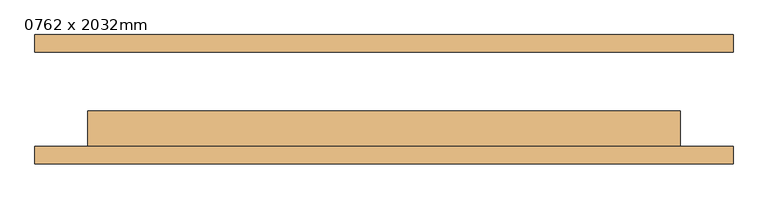
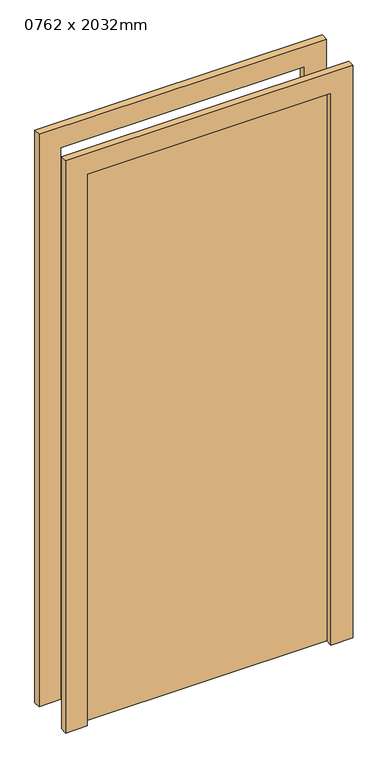
"""IFC4 building model written with IfcOpenShell, lengths in millimetres: door geometry, 0762 x 2032mm."""

from ifc_helpers import new_model, si_unit, frame, origin, origin_with_axes, place, context, project, spatial, polyline, outline, extrude, source, transform, mapped, element, save


def door_0762_x_2032mm_5a0ce6e8(model_context):
    return source(origin(), model_context, "Body", "SweptSolid", [
        extrude(outline(polyline([(2108.0, -501.0), (0.0, -501.0), (0.0, -425.0), (2032.0, -425.0), (2032.0, 425.0), (0.0, 425.0), (0.0, 501.0), (2108.0, 501.0), (2108.0, -501.0)])), frame((0.0, -92.75, 0.0), z_axis=(0.0, 1.0, 0.0), x_axis=(0.0, 0.0, 1.0)), (0.0, 0.0, 1.0), 25.0),
        extrude(outline(polyline([(2108.0, 501.0), (2108.0, -501.0), (0.0, -501.0), (0.0, -425.0), (2032.0, -425.0), (2032.0, 425.0), (0.0, 425.0), (0.0, 501.0), (2108.0, 501.0)])), frame((0.0, 67.75, 0.0), z_axis=(0.0, 1.0, 0.0), x_axis=(0.0, 0.0, 1.0)), (0.0, 0.0, 1.0), 25.0),
        extrude(outline(polyline([(425.0, -16.75), (425.0, -67.75), (-425.0, -67.75), (-425.0, -16.75), (425.0, -16.75)])), origin_with_axes(), (0.0, 0.0, 1.0), 2032.0),
    ])


if __name__ == "__main__":
    model = new_model("IFC4")
    model_context = context("Model", 3, world=origin())
    ifc_project = project(units=[si_unit("LENGTHUNIT", "METRE", prefix="MILLI")], contexts=[model_context])
    site = spatial("IfcSite", under=ifc_project)
    building = spatial("IfcBuilding", under=site)
    placement = place(None, origin())
    door_0762_x_2032mm_shape = door_0762_x_2032mm_5a0ce6e8(model_context)
    element("IfcDoor", 1, ObjectType="0762 x 2032mm", at=placement, inside=building, context=model_context, shape_type="MappedRepresentation", body=[
        mapped(door_0762_x_2032mm_shape, transform((0.0, 0.0, 0.0), x_axis=(1.0, 0.0, 0.0), y_axis=(0.0, 1.0, 0.0), z_axis=(0.0, 0.0, 1.0))),
    ])
    save(model, "model.ifc")
